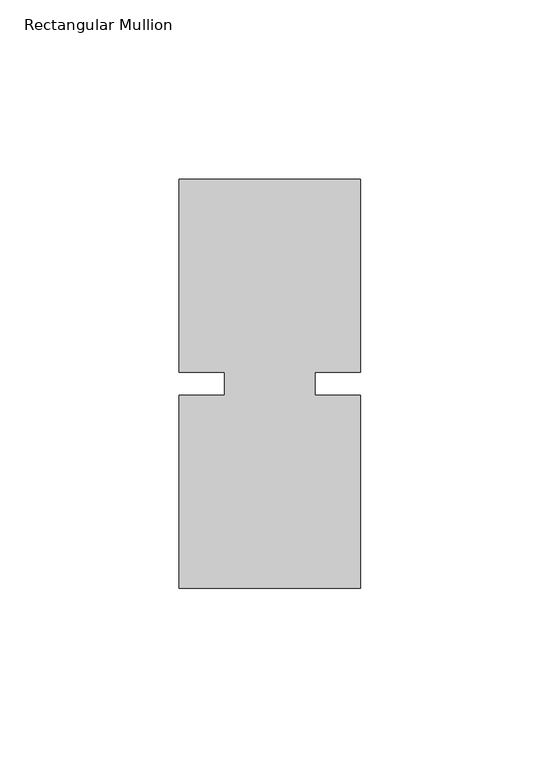
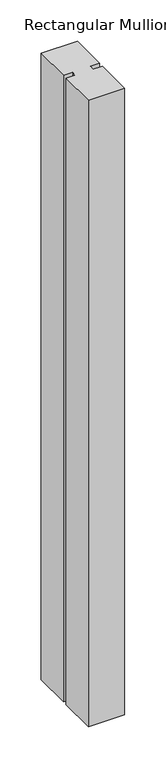
"""IFC4 building model written with IfcOpenShell, lengths in millimetres: member geometry, Rectangular Mullion."""

from ifc_helpers import new_model, si_unit, frame, origin, place, context, project, spatial, polyline, outline, extrude, source, transform, mapped, element, save


def rectangular_mullion_a5284fb0(model_context):
    return source(origin(), model_context, "Body", "SweptSolid", [
        extrude(outline(polyline([(29.7344027, 57.15), (29.7344027, 3.175), (17.0326322, 3.175), (17.0326322, -3.175), (29.7344027, -3.175), (29.7344027, -57.15), (-21.0655973, -57.15), (-21.0655973, -3.175), (-8.3655973, -3.175), (-8.3655973, 3.175), (-21.0655973, 3.175), (-21.0655973, 57.15), (29.7344027, 57.15)])), frame((0.0, 0.0, -925.9405973), z_axis=(0.0, 0.0, 1.0), x_axis=(1.0, 0.0, 0.0)), (0.0, 0.0, 1.0), 925.9405973),
    ])


if __name__ == "__main__":
    model = new_model("IFC4")
    model_context = context("Model", 3, world=origin())
    ifc_project = project(units=[si_unit("LENGTHUNIT", "METRE", prefix="MILLI")], contexts=[model_context])
    site = spatial("IfcSite", under=ifc_project)
    building = spatial("IfcBuilding", under=site)
    placement = place(None, origin())
    rectangular_mullion_shape = rectangular_mullion_a5284fb0(model_context)
    element("IfcMember", 1, ObjectType="Rectangular Mullion", at=placement, inside=building, context=model_context, shape_type="MappedRepresentation", body=[
        mapped(rectangular_mullion_shape, transform((0.0, 0.0, 0.0), x_axis=(1.0, 0.0, 0.0), y_axis=(0.0, 1.0, 0.0), z_axis=(0.0, 0.0, 1.0))),
    ])
    save(model, "model.ifc")
